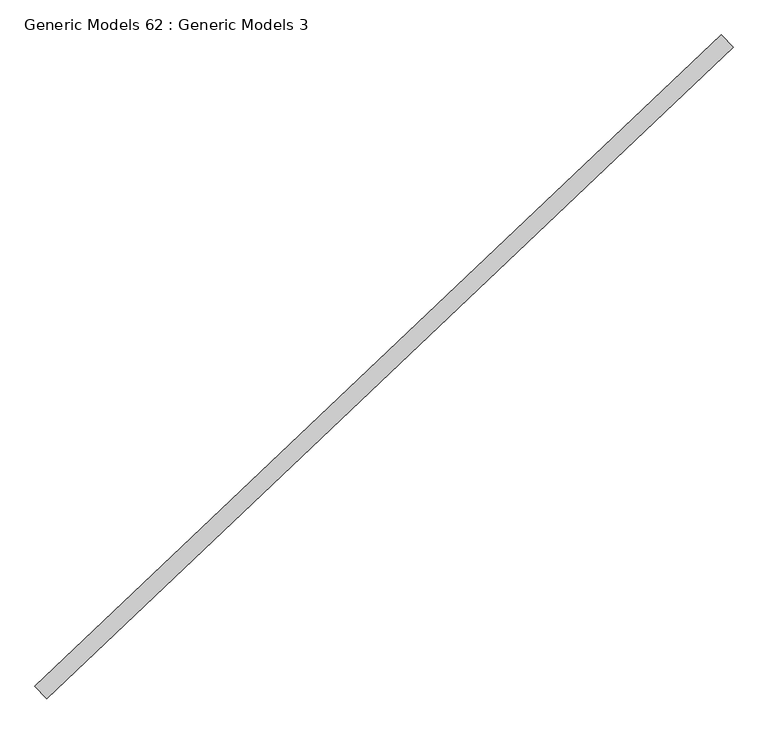
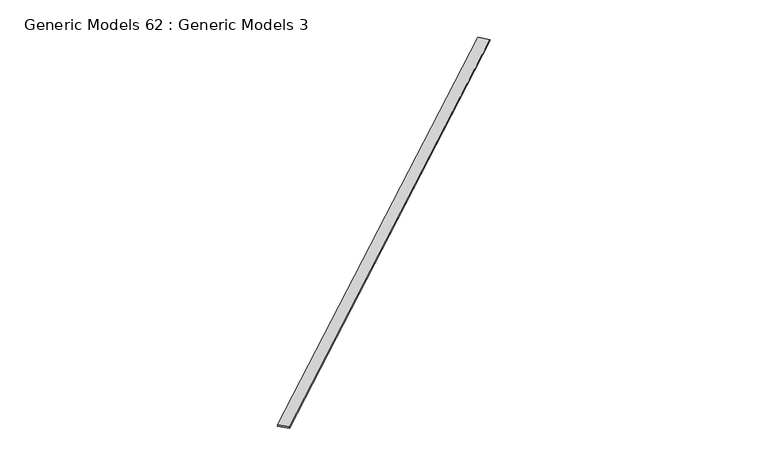
"""IFC4 building model written with IfcOpenShell, lengths in millimetres: proxy geometry, Generic Models 62 : Generic Models 3."""

from ifc_helpers import new_model, si_unit, frame, origin, place, context, project, spatial, polyline, outline, extrude, source, transform, mapped, element, save


def generic_models_62_generic_models_3_be21b6ec(model_context):
    return source(origin(), model_context, "Body", "SweptSolid", [
        extrude(outline(polyline([(116002.1316236, 53018.607623), (116220.6842013, 52788.3012602), (103482.4392751, 40700.158183), (103263.8866973, 40930.4645458), (116002.1316236, 53018.607623)])), frame((0.0, 0.0, 17957.8), z_axis=(0.0, 0.0, 1.0), x_axis=(1.0, 0.0, 0.0)), (0.0, 0.0, 1.0), 38.1),
    ])


if __name__ == "__main__":
    model = new_model("IFC4")
    model_context = context("Model", 3, world=origin())
    ifc_project = project(units=[si_unit("LENGTHUNIT", "METRE", prefix="MILLI")], contexts=[model_context])
    site = spatial("IfcSite", under=ifc_project)
    building = spatial("IfcBuilding", under=site)
    placement = place(None, origin())
    generic_models_62_generic_models_3_shape = generic_models_62_generic_models_3_be21b6ec(model_context)
    element("IfcBuildingElementProxy", 1, Name="Generic Models 62 : Generic Models 3", ObjectType="Generic Models 62 : Generic Models 3", at=placement, inside=building, context=model_context, shape_type="MappedRepresentation", body=[
        mapped(generic_models_62_generic_models_3_shape, transform((0.0, 0.0, 0.0), x_axis=(1.0, 0.0, 0.0), y_axis=(0.0, 1.0, 0.0), z_axis=(0.0, 0.0, 1.0))),
    ])
    save(model, "model.ifc")
